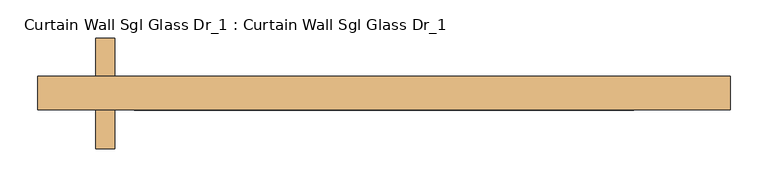
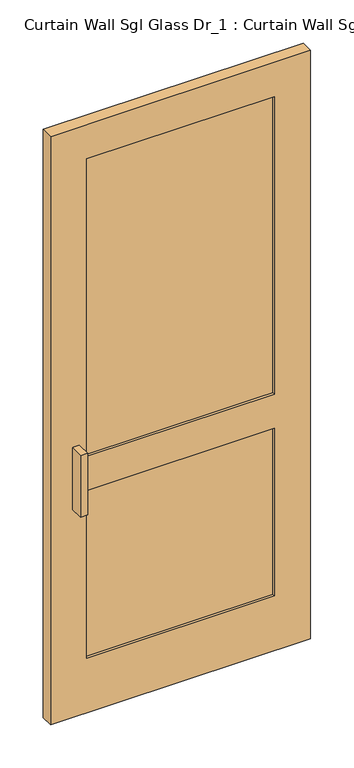
"""IFC4 building model written with IfcOpenShell, lengths in millimetres: door geometry, Curtain Wall Sgl Glass Dr_1 : Curtain Wall Sgl Glass Dr_1."""

import ifcopenshell
import ifcopenshell.guid

model = None  # the IFC model being written
_history = None  # IfcOwnerHistory: only IFC2X3 demands one
_inside = {}  # id of a spatial element -> (the spatial element, [elements in it])
_under = {}  # id of a project, library or spatial element -> (it, [spatial elements below it])
_declared = {}  # id of a project -> (the project, [libraries it declares])
_typed = {}  # id of a type object -> (the type object, [elements of that type])
_made_of = {}  # id of a material, layer set ... -> (it, [elements and type objects made of it])


def new_model(schema):
    """Start an empty IFC model of exactly this schema.

    Asked for "IFC4X3", IfcOpenShell would pick the latest addendum, in which some entities
    have other attributes; the version numbers below select the first issue.
    IFC2X3 requires an IfcOwnerHistory on every rooted entity: one is made here for all.
    """
    global model, _history
    if schema == "IFC4X3":
        model = ifcopenshell.file(schema_version=(4, 3, 0, 0))
    else:
        model = ifcopenshell.file(schema=schema)
    _inside.clear()
    _under.clear()
    _declared.clear()
    _typed.clear()
    _made_of.clear()
    _history = None
    if model.schema == "IFC2X3":
        org = make("IfcOrganization", Name="unknown")
        user = make(
            "IfcPersonAndOrganization",
            ThePerson=make("IfcPerson", FamilyName="unknown"),
            TheOrganization=org,
        )
        app = make(
            "IfcApplication",
            ApplicationDeveloper=org,
            Version="unknown",
            ApplicationFullName="unknown",
            ApplicationIdentifier="unknown",
        )
        _history = make(
            "IfcOwnerHistory",
            OwningUser=user,
            OwningApplication=app,
            ChangeAction="ADDED",
            CreationDate=0,
        )
    return model


def make(cls, **values):
    """One entity of the class cls with the attributes given. An attribute that is None is left unset."""
    return model.create_entity(
        cls, **{name: value for name, value in values.items() if value is not None}
    )


def rooted(cls, **values):
    """An entity with a GlobalId (a new one), such as an element, a storey or a relation."""
    return make(cls, GlobalId=ifcopenshell.guid.new(), OwnerHistory=_history, **values)


def si_unit(unit_type, name, prefix=None):
    """IfcSIUnit, for example si_unit("LENGTHUNIT", "METRE", prefix="MILLI")."""
    return make("IfcSIUnit", UnitType=unit_type, Prefix=prefix, Name=name)


def assignment(units):
    """IfcUnitAssignment: the units of a project."""
    return None if units is None else make("IfcUnitAssignment", Units=units)


def point(xyz):
    """IfcCartesianPoint."""
    return None if xyz is None else make("IfcCartesianPoint", Coordinates=xyz)


def direction(xyz):
    """IfcDirection."""
    return None if xyz is None else make("IfcDirection", DirectionRatios=xyz)


def frame(location, z_axis=None, x_axis=None):
    """IfcAxis2Placement3D, a coordinate frame: its origin and axes. An axis left out is left unset."""
    return make(
        "IfcAxis2Placement3D",
        Location=point(location),
        Axis=direction(z_axis),
        RefDirection=direction(x_axis),
    )


def origin():
    """The frame at (0, 0, 0) with its axes left unset."""
    return frame((0.0, 0.0, 0.0))


def place(relative_to, where):
    """IfcLocalPlacement: puts the frame where relative to a parent placement (None: the world)."""
    return make(
        "IfcLocalPlacement", PlacementRelTo=relative_to, RelativePlacement=where
    )


def context(
    kind, dimensions, precision=None, world=None, true_north=None, identifier=None
):
    """IfcGeometricRepresentationContext, for example the 3D "Model" context."""
    return make(
        "IfcGeometricRepresentationContext",
        ContextIdentifier=identifier,
        ContextType=kind,
        CoordinateSpaceDimension=dimensions,
        Precision=precision,
        WorldCoordinateSystem=world,
        TrueNorth=true_north,
    )


def project(units=None, contexts=None):
    """IfcProject with its units and contexts."""
    return rooted(
        "IfcProject",
        Name="project",
        RepresentationContexts=contexts,
        UnitsInContext=assignment(units),
    )


def spatial(cls, under=None, at=None, **own):
    """A site, building, storey or space (cls), placed at a placement, below another one or the project."""
    s = rooted(cls, ObjectPlacement=at, **own)
    if under is not None:
        _under.setdefault(under.id(), (under, []))[1].append(s)
    return s


def polyline(points):
    """IfcPolyline through the points."""
    return make("IfcPolyline", Points=[point(p) for p in points])


def outline(outer, holes=None, kind="AREA"):
    """IfcArbitraryClosedProfileDef: a profile drawn as a closed curve; with holes, ...WithVoids."""
    if holes is None:
        return make("IfcArbitraryClosedProfileDef", ProfileType=kind, OuterCurve=outer)
    return make(
        "IfcArbitraryProfileDefWithVoids",
        ProfileType=kind,
        OuterCurve=outer,
        InnerCurves=holes,
    )


def extrude(swept, where, along, depth):
    """IfcExtrudedAreaSolid: the profile swept, set in the frame where, extruded along a direction by depth."""
    return make(
        "IfcExtrudedAreaSolid",
        SweptArea=swept,
        Position=where,
        ExtrudedDirection=direction(along),
        Depth=depth,
    )


def shape(context_of_items, identifier, shape_type, items):
    """IfcShapeRepresentation: the items that make up one representation, for example the "Body"."""
    return make(
        "IfcShapeRepresentation",
        ContextOfItems=context_of_items,
        RepresentationIdentifier=identifier,
        RepresentationType=shape_type,
        Items=items,
    )


def source(mapping_origin, context_of_items, identifier, shape_type, items):
    """IfcRepresentationMap: a shape defined once, which mapped items show again and again."""
    return make(
        "IfcRepresentationMap",
        MappingOrigin=mapping_origin,
        MappedRepresentation=shape(context_of_items, identifier, shape_type, items),
    )


def transform(
    local_origin,
    x_axis=None,
    y_axis=None,
    z_axis=None,
    scale=None,
    scale2=None,
    scale3=None,
    uniform=True,
):
    """IfcCartesianTransformationOperator3D, or its non-uniform kind. x_axis, y_axis, z_axis: its Axis1, 2, 3."""
    if uniform:
        return make(
            "IfcCartesianTransformationOperator3D",
            Axis1=direction(x_axis),
            Axis2=direction(y_axis),
            LocalOrigin=point(local_origin),
            Scale=scale,
            Axis3=direction(z_axis),
        )
    return make(
        "IfcCartesianTransformationOperator3DnonUniform",
        Axis1=direction(x_axis),
        Axis2=direction(y_axis),
        LocalOrigin=point(local_origin),
        Scale=scale,
        Axis3=direction(z_axis),
        Scale2=scale2,
        Scale3=scale3,
    )


def mapped(mapping_source, mapping_target):
    """IfcMappedItem: shows the shape of a source again, moved by a transform."""
    return make(
        "IfcMappedItem", MappingSource=mapping_source, MappingTarget=mapping_target
    )


def made_of(thing, what):
    """Note that an element or type object is made of a material, layer set ...; save() writes the relation."""
    if what is not None:
        _made_of.setdefault(what.id(), (what, []))[1].append(thing)
    return thing


def element(
    cls,
    number,
    at=None,
    inside=None,
    cuts=None,
    type_object=None,
    material=None,
    context=None,
    identifier="Body",
    shape_type=None,
    held_by="IfcProductDefinitionShape",
    body=None,
    shapes=None,
    **own,
):
    """One element of the class cls, such as IfcWall. Its Tag is "e" and its number.

    at: its placement. inside: the storey or other place that contains it. cuts: it is an
    opening in that element (IfcRelVoidsElement). A single representation is given by context,
    identifier, shape_type and body (its items); several are given by shapes. held_by: the class
    of the entity that holds the representations. save() writes the other relations.
    """
    e = rooted(cls, Tag="e%d" % number, ObjectPlacement=at, **own)
    if body is not None:
        shapes = [shape(context, identifier, shape_type, body)]
    if shapes is not None:
        e.Representation = make(held_by, Representations=shapes)
    if inside is not None:
        _inside.setdefault(inside.id(), (inside, []))[1].append(e)
    if cuts is not None:
        rooted(
            "IfcRelVoidsElement", RelatingBuildingElement=cuts, RelatedOpeningElement=e
        )
    if type_object is not None:
        _typed.setdefault(type_object.id(), (type_object, []))[1].append(e)
    return made_of(e, material)


def aggregate(whole, parts):
    """IfcRelAggregates: a whole, such as a stair, and the parts it consists of."""
    return rooted("IfcRelAggregates", RelatingObject=whole, RelatedObjects=parts)


def save(model, path):
    """Write the relations noted so far, then the file.

    IfcRelAggregates (storeys below a building ...), IfcRelContainedInSpatialStructure (elements
    in a storey), IfcRelDefinesByType, IfcRelAssociatesMaterial and IfcRelDeclares: one each for
    every whole, place, type object, material and project.
    """
    for whole, parts in _under.values():
        aggregate(whole, parts)
    for where, things in _inside.values():
        rooted(
            "IfcRelContainedInSpatialStructure",
            RelatedElements=things,
            RelatingStructure=where,
        )
    for kind, things in _typed.values():
        rooted("IfcRelDefinesByType", RelatedObjects=things, RelatingType=kind)
    for what, things in _made_of.values():
        rooted("IfcRelAssociatesMaterial", RelatedObjects=things, RelatingMaterial=what)
    for by, libraries in _declared.values():
        rooted("IfcRelDeclares", RelatingContext=by, RelatedDefinitions=libraries)
    model.write(path)


def curtain_wall_sgl_glass_dr_1_curtain_wall_sgl_glass_dr_1_2004bd38(model_context):
    return source(origin(), model_context, "Body", "SweptSolid", [
        extrude(outline(polyline([(330.2, 41.275), (330.2, 15.875), (-330.2, 15.875), (-330.2, 41.275), (330.2, 41.275)])), frame((0.0, 0.0, 203.2), z_axis=(0.0, 0.0, 1.0), x_axis=(1.0, 0.0, 0.0)), (0.0, 0.0, 1.0), 622.3),
        extrude(outline(polyline([(330.2, 41.275), (330.2, 15.875), (-330.2, 15.875), (-330.2, 41.275), (330.2, 41.275)])), frame((0.0, 0.0, 952.5), z_axis=(0.0, 0.0, 1.0), x_axis=(1.0, 0.0, 0.0)), (0.0, 0.0, 1.0), 1104.9),
        extrude(outline(polyline([(2184.4, 457.2), (2184.4, -457.2), (0.0, -457.2), (0.0, 457.2), (2184.4, 457.2)]), holes=[polyline([(825.5, -330.2), (825.5, 330.2), (203.2, 330.2), (203.2, -330.2), (825.5, -330.2)]), polyline([(2057.4, -330.2), (2057.4, 330.2), (952.5, 330.2), (952.5, -330.2), (2057.4, -330.2)])]), frame((0.0, 6.35, 0.0), z_axis=(0.0, 1.0, 0.0), x_axis=(0.0, 0.0, 1.0)), (0.0, 0.0, 1.0), 44.45),
        extrude(outline(polyline([(-355.6, -44.45), (-381.0, -44.45), (-381.0, 6.35), (-355.6, 6.35), (-355.6, -44.45)])), frame((0.0, 0.0, 774.7), z_axis=(0.0, 0.0, 1.0), x_axis=(1.0, 0.0, 0.0)), (0.0, 0.0, 1.0), 228.6),
        extrude(outline(polyline([(-381.0, 101.6), (-355.6, 101.6), (-355.6, 50.8), (-381.0, 50.8), (-381.0, 101.6)])), frame((0.0, 0.0, 774.7), z_axis=(0.0, 0.0, 1.0), x_axis=(1.0, 0.0, 0.0)), (0.0, 0.0, 1.0), 228.6),
    ])


if __name__ == "__main__":
    model = new_model("IFC4")
    model_context = context("Model", 3, world=origin())
    ifc_project = project(units=[si_unit("LENGTHUNIT", "METRE", prefix="MILLI")], contexts=[model_context])
    site = spatial("IfcSite", under=ifc_project)
    building = spatial("IfcBuilding", under=site)
    placement = place(None, origin())
    curtain_wall_sgl_glass_dr_1_curtain_wall_sgl_glass_dr_1_shape = curtain_wall_sgl_glass_dr_1_curtain_wall_sgl_glass_dr_1_2004bd38(model_context)
    element("IfcDoor", 1, ObjectType="Curtain Wall Sgl Glass Dr_1 : Curtain Wall Sgl Glass Dr_1", at=placement, inside=building, context=model_context, shape_type="MappedRepresentation", body=[
        mapped(curtain_wall_sgl_glass_dr_1_curtain_wall_sgl_glass_dr_1_shape, transform((0.0, 0.0, 0.0), x_axis=(1.0, 0.0, 0.0), y_axis=(0.0, 1.0, 0.0), z_axis=(0.0, 0.0, 1.0))),
    ])
    save(model, "model.ifc")
